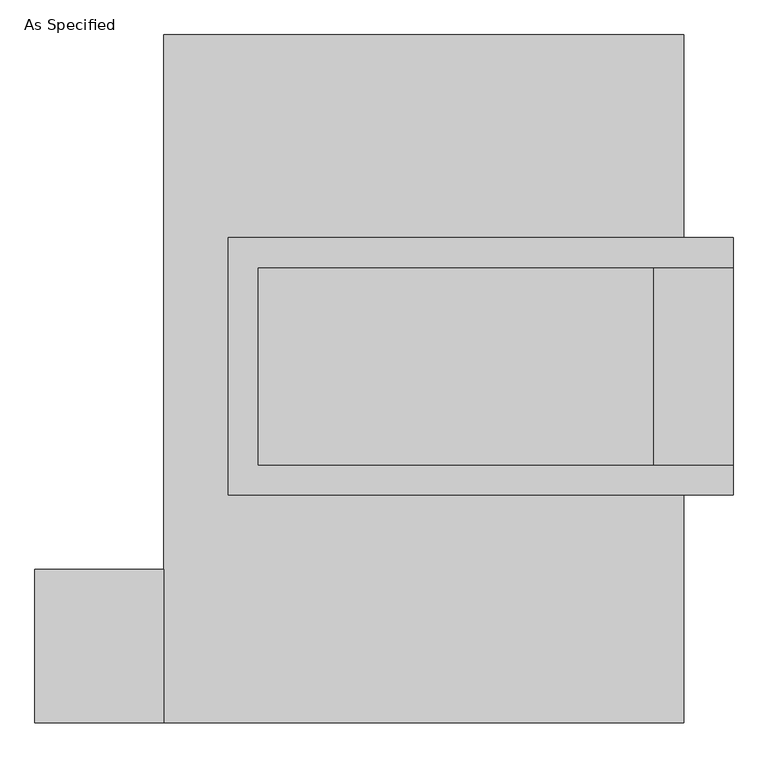
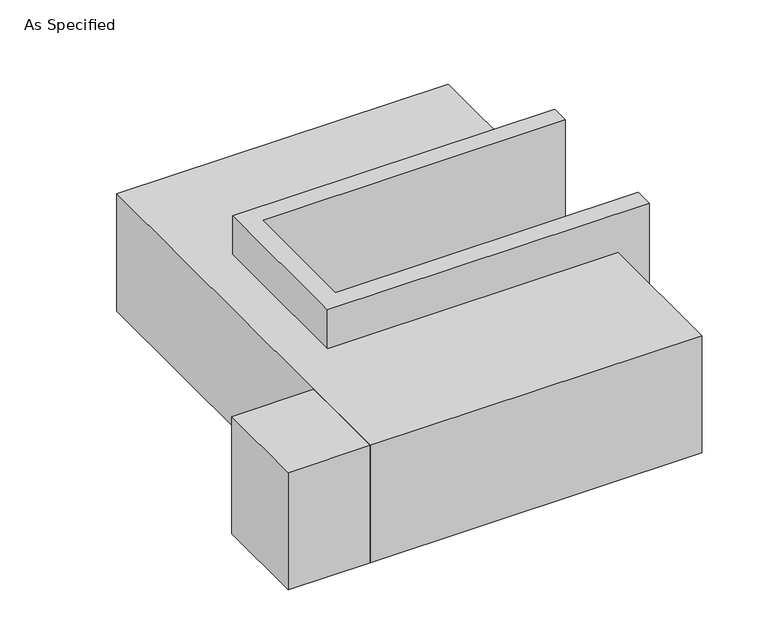
"""IFC4 building model written with IfcOpenShell, lengths in millimetres: proxy geometry, As Specified."""

from ifc_helpers import new_model, si_unit, frame, origin, place, context, project, spatial, polyline, outline, extrude, faceted_brep, source, transform, mapped, element, save


def as_specified_dda407f8(model_context):
    return source(origin(), model_context, "Body", "SolidModel", [
        extrude(outline(polyline([(-666.75, -882.65), (-996.95, -882.65), (-996.95, -488.95), (-666.75, -488.95), (-666.75, -882.65)])), frame((0.0, 0.0, -523.9742188), z_axis=(0.0, 0.0, 1.0), x_axis=(1.0, 0.0, 0.0)), (0.0, 0.0, 1.0), 498.5742187),
        faceted_brep([(-501.65, 361.95, 139.7), (-501.65, 361.95, -393.7), (-501.65, 285.75, -393.7), (-501.65, 285.75, -25.4), (-501.65, -222.25, -25.4), (-501.65, -222.25, -393.7), (-501.65, -298.45, -393.7), (-501.65, -298.45, 139.7), (793.75, 285.75, 139.7), (793.75, 285.75, -317.5), (793.75, -222.25, -317.5), (793.75, -222.25, 139.7), (793.75, -298.45, 139.7), (793.75, -298.45, -393.7), (793.75, 361.95, -393.7), (793.75, 361.95, 139.7), (-425.45, -222.25, 139.7), (-425.45, 285.75, 139.7), (590.55, -222.25, -393.7), (590.55, 285.75, -393.7), (590.55, -222.25, -317.5), (-425.45, -222.25, -25.4), (590.55, 285.75, -317.5), (-425.45, 285.75, -25.4)], [[[0, 1, 2, 3, 4, 5, 6, 7]], [[8, 9, 10, 11, 12, 13, 14, 15]], [[0, 7, 12, 11, 16, 17, 8, 15]], [[1, 0, 15, 14]], [[14, 13, 6, 5, 18, 19, 2, 1]], [[7, 6, 13, 12]], [[11, 10, 20, 18, 5, 4, 21, 16]], [[10, 9, 22, 20]], [[9, 8, 17, 23, 3, 2, 19, 22]], [[18, 20, 22, 19]], [[23, 21, 4, 3]], [[17, 16, 21, 23]]]),
        faceted_brep([(-666.75, 882.65, -523.9742188), (666.75, 882.65, -523.9742188), (666.75, -882.65, -523.9742188), (-666.75, -882.65, -523.9742188), (666.75, 882.65, -25.4), (-666.75, 882.65, -25.4), (-666.75, -882.65, -25.4), (666.75, -882.65, -25.4), (666.75, -298.45, -25.4), (-501.65, -298.45, -25.4), (-501.65, 361.95, -25.4), (666.75, 361.95, -25.4), (666.75, 361.95, -393.7), (666.75, -298.45, -393.7), (-501.65, -298.45, -393.7), (-501.65, 361.95, -393.7)], [[[0, 1, 2, 3]], [[4, 5, 6, 7, 8, 9, 10, 11]], [[1, 0, 5, 4]], [[5, 0, 3, 6]], [[1, 4, 11, 12, 13, 8, 7, 2]], [[3, 2, 7, 6]], [[14, 15, 10, 9]], [[10, 15, 12, 11]], [[15, 14, 13, 12]], [[14, 9, 8, 13]]]),
    ])


if __name__ == "__main__":
    model = new_model("IFC4")
    model_context = context("Model", 3, world=origin())
    ifc_project = project(units=[si_unit("LENGTHUNIT", "METRE", prefix="MILLI")], contexts=[model_context])
    site = spatial("IfcSite", under=ifc_project)
    building = spatial("IfcBuilding", under=site)
    placement = place(None, origin())
    as_specified_shape = as_specified_dda407f8(model_context)
    element("IfcBuildingElementProxy", 1, Name="As Specified", ObjectType="As Specified", at=placement, inside=building, context=model_context, shape_type="MappedRepresentation", body=[
        mapped(as_specified_shape, transform((0.0, 0.0, 0.0), x_axis=(1.0, 0.0, 0.0), y_axis=(0.0, 1.0, 0.0), z_axis=(0.0, 0.0, 1.0))),
    ])
    save(model, "model.ifc")
